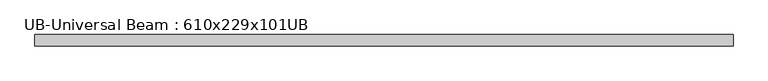
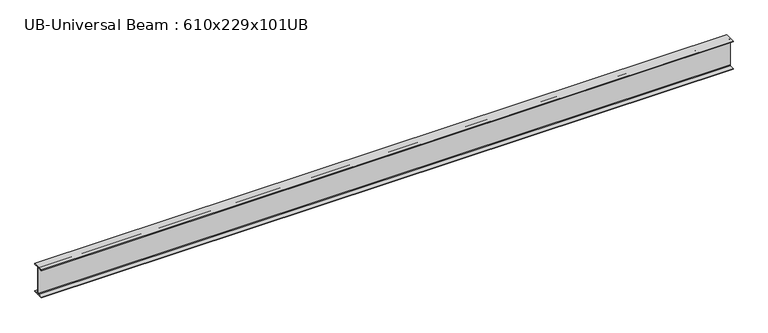
"""IFC4 building model written with IfcOpenShell, lengths in millimetres: beam geometry, UB-Universal Beam : 610x229x101UB."""

import ifcopenshell
import ifcopenshell.guid

model = None  # the IFC model being written
_history = None  # IfcOwnerHistory: only IFC2X3 demands one
_inside = {}  # id of a spatial element -> (the spatial element, [elements in it])
_under = {}  # id of a project, library or spatial element -> (it, [spatial elements below it])
_declared = {}  # id of a project -> (the project, [libraries it declares])
_typed = {}  # id of a type object -> (the type object, [elements of that type])
_made_of = {}  # id of a material, layer set ... -> (it, [elements and type objects made of it])


def new_model(schema):
    """Start an empty IFC model of exactly this schema.

    Asked for "IFC4X3", IfcOpenShell would pick the latest addendum, in which some entities
    have other attributes; the version numbers below select the first issue.
    IFC2X3 requires an IfcOwnerHistory on every rooted entity: one is made here for all.
    """
    global model, _history
    if schema == "IFC4X3":
        model = ifcopenshell.file(schema_version=(4, 3, 0, 0))
    else:
        model = ifcopenshell.file(schema=schema)
    _inside.clear()
    _under.clear()
    _declared.clear()
    _typed.clear()
    _made_of.clear()
    _history = None
    if model.schema == "IFC2X3":
        org = make("IfcOrganization", Name="unknown")
        user = make(
            "IfcPersonAndOrganization",
            ThePerson=make("IfcPerson", FamilyName="unknown"),
            TheOrganization=org,
        )
        app = make(
            "IfcApplication",
            ApplicationDeveloper=org,
            Version="unknown",
            ApplicationFullName="unknown",
            ApplicationIdentifier="unknown",
        )
        _history = make(
            "IfcOwnerHistory",
            OwningUser=user,
            OwningApplication=app,
            ChangeAction="ADDED",
            CreationDate=0,
        )
    return model


def make(cls, **values):
    """One entity of the class cls with the attributes given. An attribute that is None is left unset."""
    return model.create_entity(
        cls, **{name: value for name, value in values.items() if value is not None}
    )


def rooted(cls, **values):
    """An entity with a GlobalId (a new one), such as an element, a storey or a relation."""
    return make(cls, GlobalId=ifcopenshell.guid.new(), OwnerHistory=_history, **values)


def si_unit(unit_type, name, prefix=None):
    """IfcSIUnit, for example si_unit("LENGTHUNIT", "METRE", prefix="MILLI")."""
    return make("IfcSIUnit", UnitType=unit_type, Prefix=prefix, Name=name)


def assignment(units):
    """IfcUnitAssignment: the units of a project."""
    return None if units is None else make("IfcUnitAssignment", Units=units)


def point(xyz):
    """IfcCartesianPoint."""
    return None if xyz is None else make("IfcCartesianPoint", Coordinates=xyz)


def direction(xyz):
    """IfcDirection."""
    return None if xyz is None else make("IfcDirection", DirectionRatios=xyz)


def frame(location, z_axis=None, x_axis=None):
    """IfcAxis2Placement3D, a coordinate frame: its origin and axes. An axis left out is left unset."""
    return make(
        "IfcAxis2Placement3D",
        Location=point(location),
        Axis=direction(z_axis),
        RefDirection=direction(x_axis),
    )


def frame_2d(location, x_axis=None):
    """IfcAxis2Placement2D, a coordinate frame in the plane: its origin and x axis."""
    return make(
        "IfcAxis2Placement2D", Location=point(location), RefDirection=direction(x_axis)
    )


def origin():
    """The frame at (0, 0, 0) with its axes left unset."""
    return frame((0.0, 0.0, 0.0))


def place(relative_to, where):
    """IfcLocalPlacement: puts the frame where relative to a parent placement (None: the world)."""
    return make(
        "IfcLocalPlacement", PlacementRelTo=relative_to, RelativePlacement=where
    )


def context(
    kind, dimensions, precision=None, world=None, true_north=None, identifier=None
):
    """IfcGeometricRepresentationContext, for example the 3D "Model" context."""
    return make(
        "IfcGeometricRepresentationContext",
        ContextIdentifier=identifier,
        ContextType=kind,
        CoordinateSpaceDimension=dimensions,
        Precision=precision,
        WorldCoordinateSystem=world,
        TrueNorth=true_north,
    )


def project(units=None, contexts=None):
    """IfcProject with its units and contexts."""
    return rooted(
        "IfcProject",
        Name="project",
        RepresentationContexts=contexts,
        UnitsInContext=assignment(units),
    )


def spatial(cls, under=None, at=None, **own):
    """A site, building, storey or space (cls), placed at a placement, below another one or the project."""
    s = rooted(cls, ObjectPlacement=at, **own)
    if under is not None:
        _under.setdefault(under.id(), (under, []))[1].append(s)
    return s


def polyline(points):
    """IfcPolyline through the points."""
    return make("IfcPolyline", Points=[point(p) for p in points])


def circle_curve(where, radius):
    """IfcCircle in the frame where."""
    return make("IfcCircle", Position=where, Radius=radius)


def trimmed(basis, trim1, trim2, sense, master):
    """IfcTrimmedCurve: the piece of a basis curve between two trims."""
    return make(
        "IfcTrimmedCurve",
        BasisCurve=basis,
        Trim1=trim1,
        Trim2=trim2,
        SenseAgreement=sense,
        MasterRepresentation=master,
    )


def segment(curve, same_sense, transition):
    """IfcCompositeCurveSegment."""
    return make(
        "IfcCompositeCurveSegment",
        Transition=transition,
        SameSense=same_sense,
        ParentCurve=curve,
    )


def composite_curve(segments, self_intersect=None):
    """IfcCompositeCurve: segments joined end to end."""
    return make("IfcCompositeCurve", Segments=segments, SelfIntersect=self_intersect)


def outline(outer, holes=None, kind="AREA"):
    """IfcArbitraryClosedProfileDef: a profile drawn as a closed curve; with holes, ...WithVoids."""
    if holes is None:
        return make("IfcArbitraryClosedProfileDef", ProfileType=kind, OuterCurve=outer)
    return make(
        "IfcArbitraryProfileDefWithVoids",
        ProfileType=kind,
        OuterCurve=outer,
        InnerCurves=holes,
    )


def extrude(swept, where, along, depth):
    """IfcExtrudedAreaSolid: the profile swept, set in the frame where, extruded along a direction by depth."""
    return make(
        "IfcExtrudedAreaSolid",
        SweptArea=swept,
        Position=where,
        ExtrudedDirection=direction(along),
        Depth=depth,
    )


def shape(context_of_items, identifier, shape_type, items):
    """IfcShapeRepresentation: the items that make up one representation, for example the "Body"."""
    return make(
        "IfcShapeRepresentation",
        ContextOfItems=context_of_items,
        RepresentationIdentifier=identifier,
        RepresentationType=shape_type,
        Items=items,
    )


def source(mapping_origin, context_of_items, identifier, shape_type, items):
    """IfcRepresentationMap: a shape defined once, which mapped items show again and again."""
    return make(
        "IfcRepresentationMap",
        MappingOrigin=mapping_origin,
        MappedRepresentation=shape(context_of_items, identifier, shape_type, items),
    )


def transform(
    local_origin,
    x_axis=None,
    y_axis=None,
    z_axis=None,
    scale=None,
    scale2=None,
    scale3=None,
    uniform=True,
):
    """IfcCartesianTransformationOperator3D, or its non-uniform kind. x_axis, y_axis, z_axis: its Axis1, 2, 3."""
    if uniform:
        return make(
            "IfcCartesianTransformationOperator3D",
            Axis1=direction(x_axis),
            Axis2=direction(y_axis),
            LocalOrigin=point(local_origin),
            Scale=scale,
            Axis3=direction(z_axis),
        )
    return make(
        "IfcCartesianTransformationOperator3DnonUniform",
        Axis1=direction(x_axis),
        Axis2=direction(y_axis),
        LocalOrigin=point(local_origin),
        Scale=scale,
        Axis3=direction(z_axis),
        Scale2=scale2,
        Scale3=scale3,
    )


def mapped(mapping_source, mapping_target):
    """IfcMappedItem: shows the shape of a source again, moved by a transform."""
    return make(
        "IfcMappedItem", MappingSource=mapping_source, MappingTarget=mapping_target
    )


def made_of(thing, what):
    """Note that an element or type object is made of a material, layer set ...; save() writes the relation."""
    if what is not None:
        _made_of.setdefault(what.id(), (what, []))[1].append(thing)
    return thing


def element(
    cls,
    number,
    at=None,
    inside=None,
    cuts=None,
    type_object=None,
    material=None,
    context=None,
    identifier="Body",
    shape_type=None,
    held_by="IfcProductDefinitionShape",
    body=None,
    shapes=None,
    **own,
):
    """One element of the class cls, such as IfcWall. Its Tag is "e" and its number.

    at: its placement. inside: the storey or other place that contains it. cuts: it is an
    opening in that element (IfcRelVoidsElement). A single representation is given by context,
    identifier, shape_type and body (its items); several are given by shapes. held_by: the class
    of the entity that holds the representations. save() writes the other relations.
    """
    e = rooted(cls, Tag="e%d" % number, ObjectPlacement=at, **own)
    if body is not None:
        shapes = [shape(context, identifier, shape_type, body)]
    if shapes is not None:
        e.Representation = make(held_by, Representations=shapes)
    if inside is not None:
        _inside.setdefault(inside.id(), (inside, []))[1].append(e)
    if cuts is not None:
        rooted(
            "IfcRelVoidsElement", RelatingBuildingElement=cuts, RelatedOpeningElement=e
        )
    if type_object is not None:
        _typed.setdefault(type_object.id(), (type_object, []))[1].append(e)
    return made_of(e, material)


def aggregate(whole, parts):
    """IfcRelAggregates: a whole, such as a stair, and the parts it consists of."""
    return rooted("IfcRelAggregates", RelatingObject=whole, RelatedObjects=parts)


def save(model, path):
    """Write the relations noted so far, then the file.

    IfcRelAggregates (storeys below a building ...), IfcRelContainedInSpatialStructure (elements
    in a storey), IfcRelDefinesByType, IfcRelAssociatesMaterial and IfcRelDeclares: one each for
    every whole, place, type object, material and project.
    """
    for whole, parts in _under.values():
        aggregate(whole, parts)
    for where, things in _inside.values():
        rooted(
            "IfcRelContainedInSpatialStructure",
            RelatedElements=things,
            RelatingStructure=where,
        )
    for kind, things in _typed.values():
        rooted("IfcRelDefinesByType", RelatedObjects=things, RelatingType=kind)
    for what, things in _made_of.values():
        rooted("IfcRelAssociatesMaterial", RelatedObjects=things, RelatingMaterial=what)
    for by, libraries in _declared.values():
        rooted("IfcRelDeclares", RelatingContext=by, RelatedDefinitions=libraries)
    model.write(path)


def ub_universal_beam_610x229x101ub_911c6398(model_context):
    return source(origin(), model_context, "Body", "SweptSolid", [
        extrude(outline(composite_curve([segment(polyline([(113.8, -286.5), (113.8, -301.3), (-113.8, -301.3), (-113.8, -286.5), (-17.95, -286.5)]), True, "CONTINUOUS"), segment(trimmed(circle_curve(frame_2d((-17.95, -273.8)), 12.7), [point((-17.95, -286.5))], [point((-5.25, -273.8))], True, "CARTESIAN"), True, "CONTINUOUS"), segment(polyline([(-5.25, -273.8), (-5.25, 273.8)]), True, "CONTINUOUS"), segment(trimmed(circle_curve(frame_2d((-17.95, 273.8)), 12.7), [point((-5.25, 273.8))], [point((-17.95, 286.5))], True, "CARTESIAN"), True, "CONTINUOUS"), segment(polyline([(-17.95, 286.5), (-113.8, 286.5), (-113.8, 301.3), (113.8, 301.3), (113.8, 286.5), (17.95, 286.5)]), True, "CONTINUOUS"), segment(trimmed(circle_curve(frame_2d((17.95, 273.8)), 12.7), [point((17.95, 286.5))], [point((5.25, 273.8))], True, "CARTESIAN"), True, "CONTINUOUS"), segment(polyline([(5.25, 273.8), (5.25, -273.8)]), True, "CONTINUOUS"), segment(trimmed(circle_curve(frame_2d((17.95, -273.8)), 12.7), [point((5.25, -273.8))], [point((17.95, -286.5))], True, "CARTESIAN"), True, "CONTINUOUS"), segment(polyline([(17.95, -286.5), (113.8, -286.5)]), True, "CONTINUOUS")], self_intersect=False)), frame((-7061.7, 0.0, 0.0), z_axis=(1.0, 0.0, 0.0), x_axis=(0.0, 1.0, 0.0)), (0.0, 0.0, 1.0), 14123.4),
    ])


if __name__ == "__main__":
    model = new_model("IFC4")
    model_context = context("Model", 3, world=origin())
    ifc_project = project(units=[si_unit("LENGTHUNIT", "METRE", prefix="MILLI")], contexts=[model_context])
    site = spatial("IfcSite", under=ifc_project)
    building = spatial("IfcBuilding", under=site)
    placement = place(None, origin())
    ub_universal_beam_610x229x101ub_shape = ub_universal_beam_610x229x101ub_911c6398(model_context)
    element("IfcBeam", 1, ObjectType="UB-Universal Beam : 610x229x101UB", at=placement, inside=building, context=model_context, shape_type="MappedRepresentation", body=[
        mapped(ub_universal_beam_610x229x101ub_shape, transform((0.0, 0.0, 0.0), x_axis=(1.0, 0.0, 0.0), y_axis=(0.0, 1.0, 0.0), z_axis=(0.0, 0.0, 1.0))),
    ])
    save(model, "model.ifc")
